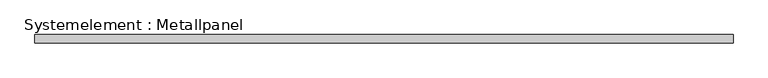
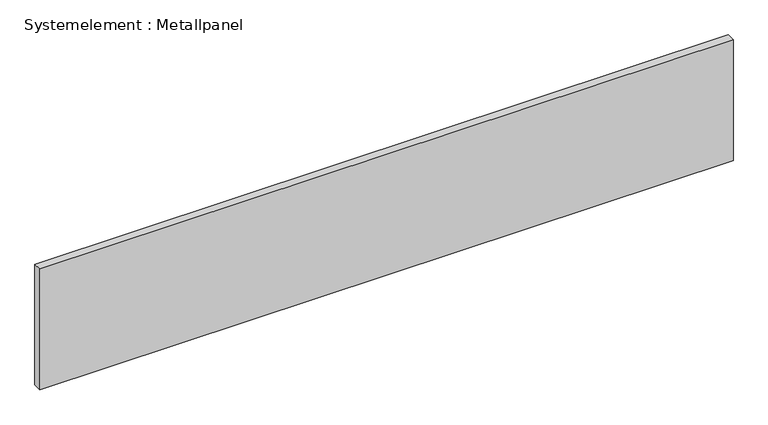
"""IFC4 building model written with IfcOpenShell, lengths in millimetres: plate geometry, Systemelement : Metallpanel."""

from ifc_helpers import new_model, si_unit, origin, origin_with_axes, place, context, project, spatial, polyline, outline, extrude, source, transform, mapped, element, save


def systemelement_metallpanel_d3b38717(model_context):
    return source(origin(), model_context, "Body", "SweptSolid", [
        extrude(outline(polyline([(1247.4999999, -15.0), (-1247.4999999, -15.0), (-1247.4999999, 15.0), (1247.4999999, 15.0), (1247.4999999, -15.0)])), origin_with_axes(), (0.0, 0.0, 1.0), 460.0),
    ])


if __name__ == "__main__":
    model = new_model("IFC4")
    model_context = context("Model", 3, world=origin())
    ifc_project = project(units=[si_unit("LENGTHUNIT", "METRE", prefix="MILLI")], contexts=[model_context])
    site = spatial("IfcSite", under=ifc_project)
    building = spatial("IfcBuilding", under=site)
    placement = place(None, origin())
    systemelement_metallpanel_shape = systemelement_metallpanel_d3b38717(model_context)
    element("IfcPlate", 1, ObjectType="Systemelement : Metallpanel", at=placement, inside=building, context=model_context, shape_type="MappedRepresentation", body=[
        mapped(systemelement_metallpanel_shape, transform((0.0, 0.0, 0.0), x_axis=(1.0, 0.0, 0.0), y_axis=(0.0, 1.0, 0.0), z_axis=(0.0, 0.0, 1.0))),
    ])
    save(model, "model.ifc")
